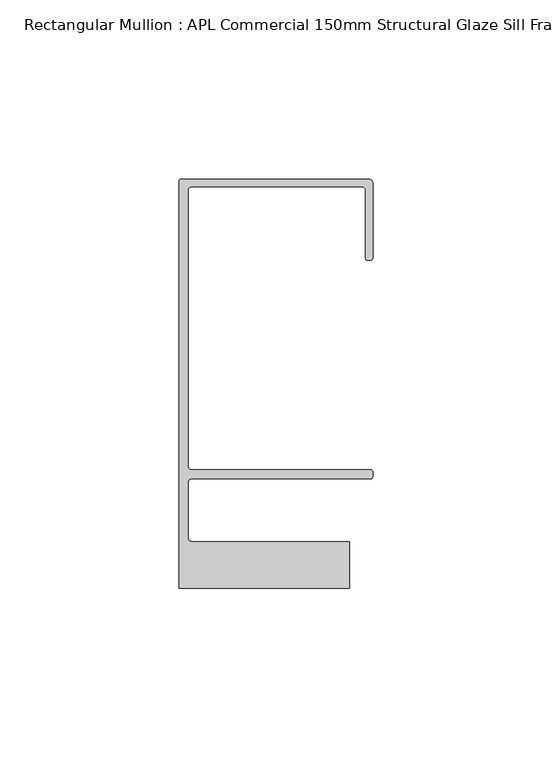
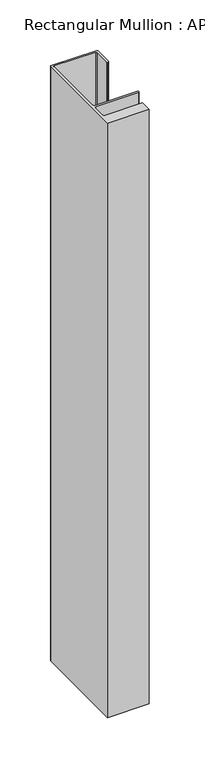
"""IFC4 building model written with IfcOpenShell, lengths in millimetres: member geometry, Rectangular Mullion : APL Commercial 150mm Structural Glaze Sill Frame (Back)."""

import ifcopenshell
import ifcopenshell.guid

model = None  # the IFC model being written
_history = None  # IfcOwnerHistory: only IFC2X3 demands one
_inside = {}  # id of a spatial element -> (the spatial element, [elements in it])
_under = {}  # id of a project, library or spatial element -> (it, [spatial elements below it])
_declared = {}  # id of a project -> (the project, [libraries it declares])
_typed = {}  # id of a type object -> (the type object, [elements of that type])
_made_of = {}  # id of a material, layer set ... -> (it, [elements and type objects made of it])


def new_model(schema):
    """Start an empty IFC model of exactly this schema.

    Asked for "IFC4X3", IfcOpenShell would pick the latest addendum, in which some entities
    have other attributes; the version numbers below select the first issue.
    IFC2X3 requires an IfcOwnerHistory on every rooted entity: one is made here for all.
    """
    global model, _history
    if schema == "IFC4X3":
        model = ifcopenshell.file(schema_version=(4, 3, 0, 0))
    else:
        model = ifcopenshell.file(schema=schema)
    _inside.clear()
    _under.clear()
    _declared.clear()
    _typed.clear()
    _made_of.clear()
    _history = None
    if model.schema == "IFC2X3":
        org = make("IfcOrganization", Name="unknown")
        user = make(
            "IfcPersonAndOrganization",
            ThePerson=make("IfcPerson", FamilyName="unknown"),
            TheOrganization=org,
        )
        app = make(
            "IfcApplication",
            ApplicationDeveloper=org,
            Version="unknown",
            ApplicationFullName="unknown",
            ApplicationIdentifier="unknown",
        )
        _history = make(
            "IfcOwnerHistory",
            OwningUser=user,
            OwningApplication=app,
            ChangeAction="ADDED",
            CreationDate=0,
        )
    return model


def make(cls, **values):
    """One entity of the class cls with the attributes given. An attribute that is None is left unset."""
    return model.create_entity(
        cls, **{name: value for name, value in values.items() if value is not None}
    )


def rooted(cls, **values):
    """An entity with a GlobalId (a new one), such as an element, a storey or a relation."""
    return make(cls, GlobalId=ifcopenshell.guid.new(), OwnerHistory=_history, **values)


def si_unit(unit_type, name, prefix=None):
    """IfcSIUnit, for example si_unit("LENGTHUNIT", "METRE", prefix="MILLI")."""
    return make("IfcSIUnit", UnitType=unit_type, Prefix=prefix, Name=name)


def assignment(units):
    """IfcUnitAssignment: the units of a project."""
    return None if units is None else make("IfcUnitAssignment", Units=units)


def point(xyz):
    """IfcCartesianPoint."""
    return None if xyz is None else make("IfcCartesianPoint", Coordinates=xyz)


def direction(xyz):
    """IfcDirection."""
    return None if xyz is None else make("IfcDirection", DirectionRatios=xyz)


def frame(location, z_axis=None, x_axis=None):
    """IfcAxis2Placement3D, a coordinate frame: its origin and axes. An axis left out is left unset."""
    return make(
        "IfcAxis2Placement3D",
        Location=point(location),
        Axis=direction(z_axis),
        RefDirection=direction(x_axis),
    )


def origin():
    """The frame at (0, 0, 0) with its axes left unset."""
    return frame((0.0, 0.0, 0.0))


def place(relative_to, where):
    """IfcLocalPlacement: puts the frame where relative to a parent placement (None: the world)."""
    return make(
        "IfcLocalPlacement", PlacementRelTo=relative_to, RelativePlacement=where
    )


def context(
    kind, dimensions, precision=None, world=None, true_north=None, identifier=None
):
    """IfcGeometricRepresentationContext, for example the 3D "Model" context."""
    return make(
        "IfcGeometricRepresentationContext",
        ContextIdentifier=identifier,
        ContextType=kind,
        CoordinateSpaceDimension=dimensions,
        Precision=precision,
        WorldCoordinateSystem=world,
        TrueNorth=true_north,
    )


def project(units=None, contexts=None):
    """IfcProject with its units and contexts."""
    return rooted(
        "IfcProject",
        Name="project",
        RepresentationContexts=contexts,
        UnitsInContext=assignment(units),
    )


def spatial(cls, under=None, at=None, **own):
    """A site, building, storey or space (cls), placed at a placement, below another one or the project."""
    s = rooted(cls, ObjectPlacement=at, **own)
    if under is not None:
        _under.setdefault(under.id(), (under, []))[1].append(s)
    return s


def polyline(points):
    """IfcPolyline through the points."""
    return make("IfcPolyline", Points=[point(p) for p in points])


def circle_curve(where, radius):
    """IfcCircle in the frame where."""
    return make("IfcCircle", Position=where, Radius=radius)


def shape(context_of_items, identifier, shape_type, items):
    """IfcShapeRepresentation: the items that make up one representation, for example the "Body"."""
    return make(
        "IfcShapeRepresentation",
        ContextOfItems=context_of_items,
        RepresentationIdentifier=identifier,
        RepresentationType=shape_type,
        Items=items,
    )


def source(mapping_origin, context_of_items, identifier, shape_type, items):
    """IfcRepresentationMap: a shape defined once, which mapped items show again and again."""
    return make(
        "IfcRepresentationMap",
        MappingOrigin=mapping_origin,
        MappedRepresentation=shape(context_of_items, identifier, shape_type, items),
    )


def transform(
    local_origin,
    x_axis=None,
    y_axis=None,
    z_axis=None,
    scale=None,
    scale2=None,
    scale3=None,
    uniform=True,
):
    """IfcCartesianTransformationOperator3D, or its non-uniform kind. x_axis, y_axis, z_axis: its Axis1, 2, 3."""
    if uniform:
        return make(
            "IfcCartesianTransformationOperator3D",
            Axis1=direction(x_axis),
            Axis2=direction(y_axis),
            LocalOrigin=point(local_origin),
            Scale=scale,
            Axis3=direction(z_axis),
        )
    return make(
        "IfcCartesianTransformationOperator3DnonUniform",
        Axis1=direction(x_axis),
        Axis2=direction(y_axis),
        LocalOrigin=point(local_origin),
        Scale=scale,
        Axis3=direction(z_axis),
        Scale2=scale2,
        Scale3=scale3,
    )


def mapped(mapping_source, mapping_target):
    """IfcMappedItem: shows the shape of a source again, moved by a transform."""
    return make(
        "IfcMappedItem", MappingSource=mapping_source, MappingTarget=mapping_target
    )


def made_of(thing, what):
    """Note that an element or type object is made of a material, layer set ...; save() writes the relation."""
    if what is not None:
        _made_of.setdefault(what.id(), (what, []))[1].append(thing)
    return thing


def element(
    cls,
    number,
    at=None,
    inside=None,
    cuts=None,
    type_object=None,
    material=None,
    context=None,
    identifier="Body",
    shape_type=None,
    held_by="IfcProductDefinitionShape",
    body=None,
    shapes=None,
    **own,
):
    """One element of the class cls, such as IfcWall. Its Tag is "e" and its number.

    at: its placement. inside: the storey or other place that contains it. cuts: it is an
    opening in that element (IfcRelVoidsElement). A single representation is given by context,
    identifier, shape_type and body (its items); several are given by shapes. held_by: the class
    of the entity that holds the representations. save() writes the other relations.
    """
    e = rooted(cls, Tag="e%d" % number, ObjectPlacement=at, **own)
    if body is not None:
        shapes = [shape(context, identifier, shape_type, body)]
    if shapes is not None:
        e.Representation = make(held_by, Representations=shapes)
    if inside is not None:
        _inside.setdefault(inside.id(), (inside, []))[1].append(e)
    if cuts is not None:
        rooted(
            "IfcRelVoidsElement", RelatingBuildingElement=cuts, RelatedOpeningElement=e
        )
    if type_object is not None:
        _typed.setdefault(type_object.id(), (type_object, []))[1].append(e)
    return made_of(e, material)


def aggregate(whole, parts):
    """IfcRelAggregates: a whole, such as a stair, and the parts it consists of."""
    return rooted("IfcRelAggregates", RelatingObject=whole, RelatedObjects=parts)


def save(model, path):
    """Write the relations noted so far, then the file.

    IfcRelAggregates (storeys below a building ...), IfcRelContainedInSpatialStructure (elements
    in a storey), IfcRelDefinesByType, IfcRelAssociatesMaterial and IfcRelDeclares: one each for
    every whole, place, type object, material and project.
    """
    for whole, parts in _under.values():
        aggregate(whole, parts)
    for where, things in _inside.values():
        rooted(
            "IfcRelContainedInSpatialStructure",
            RelatedElements=things,
            RelatingStructure=where,
        )
    for kind, things in _typed.values():
        rooted("IfcRelDefinesByType", RelatedObjects=things, RelatingType=kind)
    for what, things in _made_of.values():
        rooted("IfcRelAssociatesMaterial", RelatedObjects=things, RelatingMaterial=what)
    for by, libraries in _declared.values():
        rooted("IfcRelDeclares", RelatingContext=by, RelatedDefinitions=libraries)
    model.write(path)


def plane_surface(at):
    """IfcPlane: the flat surface through the origin of the frame at, square to its z axis."""
    return make("IfcPlane", Position=at)


def cylinder_surface(at, radius):
    """IfcCylindricalSurface: all points at the distance radius from the z axis of the frame at."""
    return make("IfcCylindricalSurface", Position=at, Radius=radius)


def revolved_surface(curve, axis_point, axis_direction):
    """IfcSurfaceOfRevolution: the curve turned about the line through axis_point along axis_direction."""
    return make(
        "IfcSurfaceOfRevolution",
        SweptCurve=make("IfcArbitraryOpenProfileDef", ProfileType="CURVE", Curve=curve),
        AxisPosition=make("IfcAxis1Placement", Location=point(axis_point), Axis=direction(axis_direction)),
    )


def advanced_brep(points, edges, surfaces, faces):
    """IfcAdvancedBrep: a solid bounded by faces that lie on surfaces and meet in shared edges.

    An edge is (start, end): straight between two places in points (the first is 0);
    or (start, end, curve); or (start, end, curve, False) where it runs against its curve.
    A face is (place in surfaces, loops), or (place, loops, False) where it looks against
    its surface's normal. A loop lists edges by number (the first is 1), with a minus sign
    where the edge is run from its end to its start. The first loop is the outer one.
    """
    corners = [point(p) for p in points]
    vertices = [make("IfcVertexPoint", VertexGeometry=c) for c in corners]
    made = []
    for start, end, *more in edges:
        made.append(
            make(
                "IfcEdgeCurve",
                EdgeStart=vertices[start],
                EdgeEnd=vertices[end],
                EdgeGeometry=more[0] if more else make("IfcPolyline", Points=[corners[start], corners[end]]),
                SameSense=more[1] if len(more) > 1 else True,
            )
        )
    hull = []
    for where, loops, *sense in faces:
        bounds = []
        for j, loop in enumerate(loops):
            ring = [make("IfcOrientedEdge", EdgeElement=made[abs(k) - 1], Orientation=k > 0) for k in loop]
            bounds.append(
                make(
                    "IfcFaceOuterBound" if j == 0 else "IfcFaceBound",
                    Bound=make("IfcEdgeLoop", EdgeList=ring),
                    Orientation=True,
                )
            )
        hull.append(make("IfcAdvancedFace", Bounds=bounds, FaceSurface=surfaces[where], SameSense=sense[0] if sense else True))
    return make("IfcAdvancedBrep", Outer=make("IfcClosedShell", CfsFaces=hull))


def rectangular_mullion_apl_commercial_150mm_structural_glaze_1bff94a1(model_context):
    return source(origin(), model_context, "Body", "AdvancedBrep", [
        advanced_brep(
        [(-53.5000083, 129.0001071, 0.0), (-54.0000083, 128.5001071, 0.0), (-54.0000083, 15.0004332, 0.0), (-6.5000083, 15.0004332, 0.0), (-6.5000083, 28.0004332, 0.0), (-50.500032, 28.0004332, 0.0), (-51.500032, 29.0004332, 0.0), (-51.500032, 44.4999541, 0.0), (-50.500032, 45.4999541, 0.0), (-0.521387, 45.4999541, 0.0), (-5.4e-06, 46.0213357, 0.0), (-5.4e-06, 47.5021598, 0.0), (-0.5000012, 48.000115, 0.0), (-50.482081, 48.000115, 0.0), (-51.5000225, 48.9999541, 0.0), (-51.5000225, 126.00011, 0.0), (-50.5000083, 127.00011, 0.0), (-2.9999982, 127.00011, 0.0), (-1.9999982, 126.0001071, 0.0), (-1.9999982, 107.0001071, 0.0), (-1.4999822, 106.5001071, 0.0), (-0.5, 106.5001071, 0.0), (0.0, 107.0001071, 0.0), (0.0, 128.0001071, 0.0), (-1.0000079, 129.0001071, 0.0), (-53.5000083, 129.0001071, -720.0500409), (-1.0000079, 129.0001071, -720.0500409), (-7.9e-06, 128.0001071, -720.0500409), (0.0, 107.0001071, -720.0500409), (-0.5, 106.5001071, -720.0500409), (-1.4999822, 106.5001071, -720.0500409), (-1.9999822, 107.0001071, -720.0500409), (-1.9999982, 126.0001071, -720.0500409), (-2.9999982, 127.0001071, -720.0500409), (-50.5000083, 127.00011, -720.0500409), (-51.5000083, 126.00011, -720.0500409), (-51.5000225, 48.9999541, -720.0500409), (-50.482081, 48.000115, -720.0500409), (-0.5000012, 48.000115, -720.0500409), (-5.4e-06, 47.5021598, -720.0500409), (-5.4e-06, 46.0213357, -720.0500409), (-0.521387, 45.4999541, -720.0500409), (-50.500032, 45.4999541, -720.0500409), (-51.500032, 44.4999541, -720.0500409), (-51.500032, 29.0004332, -720.0500409), (-50.500032, 28.0004332, -720.0500409), (-6.5000083, 28.0004332, -720.0500409), (-6.5000083, 15.0004332, -720.0500409), (-54.0000083, 15.0004332, -720.0500409), (-54.0000083, 128.5001071, -720.0500409)],
        [
            (0, 1, circle_curve(frame((-53.5000083, 128.5001071, 0.0), z_axis=(0.0, 0.0, 1.0), x_axis=(0.0, 1.0, 0.0)), 0.5)),
            (1, 2),
            (2, 3),
            (3, 4),
            (4, 5),
            (5, 6, circle_curve(frame((-50.500032, 29.0004332, 0.0), z_axis=(0.0, 0.0, -1.0), x_axis=(0.0, -1.0, 0.0)), 1.0)),
            (6, 7),
            (7, 8, circle_curve(frame((-50.500032, 44.4999541, 0.0), z_axis=(0.0, 0.0, -1.0), x_axis=(-0.9999999999998819, 4.863123717036027e-07, 0.0)), 1.0)),
            (8, 9),
            (9, 10, circle_curve(frame((-0.521387, 46.0213357, 0.0), z_axis=(0.0, 0.0, 1.0), x_axis=(-1.0, 0.0, 0.0)), 0.5213816)),
            (10, 11),
            (11, 12, circle_curve(frame((-0.5000012, 47.500115, 0.0), z_axis=(0.0, 0.0, 1.0), x_axis=(0.9999999999999991, -4.5120271963110614e-08, 0.0)), 0.5)),
            (12, 13),
            (13, 14, circle_curve(frame((-50.5000225, 48.9999541, 0.0), z_axis=(0.0, 0.0, -1.0), x_axis=(3.5344775231070867e-06, -0.9999999999937538, 0.0)), 1.0)),
            (14, 15),
            (15, 16, circle_curve(frame((-50.5000083, 126.00011, 0.0), z_axis=(0.0, 0.0, -1.0), x_axis=(-1.0, 3.636202450239078e-12, 0.0)), 1.0)),
            (16, 17),
            (17, 18, circle_curve(frame((-2.9999982, 126.0001071, 0.0), z_axis=(0.0, 0.0, -1.0), x_axis=(0.0, 1.0, 0.0)), 1.0)),
            (18, 19),
            (19, 20, circle_curve(frame((-1.4999822, 107.0001071, 0.0), z_axis=(0.0, 0.0, 1.0), x_axis=(-1.0, -1.039279773351609e-08, 0.0)), 0.5)),
            (20, 21),
            (21, 22, circle_curve(frame((-0.5, 107.0001071, 0.0), z_axis=(0.0, 0.0, 1.0), x_axis=(0.0, -1.0, 0.0)), 0.5)),
            (22, 23),
            (23, 24, circle_curve(frame((-1.0000079, 128.0001071, 0.0), z_axis=(0.0, 0.0, 1.0), x_axis=(0.9999999999996143, 8.78371761103865e-07, 0.0)), 1.0)),
            (24, 0),
            (25, 26),
            (26, 27, circle_curve(frame((-1.0000079, 128.0001071, -720.0500409), z_axis=(0.0, 0.0, -1.0), x_axis=(0.9999999999996143, 8.78371761103865e-07, 0.0)), 1.0)),
            (27, 28),
            (28, 29, circle_curve(frame((-0.5, 107.0001071, -720.0500409), z_axis=(0.0, 0.0, -1.0), x_axis=(0.0, -1.0, 0.0)), 0.5)),
            (29, 30),
            (30, 31, circle_curve(frame((-1.4999822, 107.0001071, -720.0500409), z_axis=(0.0, 0.0, -1.0), x_axis=(-1.0, -1.039279773351609e-08, 0.0)), 0.5)),
            (31, 32),
            (32, 33, circle_curve(frame((-2.9999982, 126.0001071, -720.0500409), z_axis=(0.0, 0.0, 1.0), x_axis=(0.0, 1.0, 0.0)), 1.0)),
            (33, 34),
            (34, 35, circle_curve(frame((-50.5000083, 126.00011, -720.0500409), z_axis=(0.0, 0.0, 1.0), x_axis=(-1.0, 3.636202450239078e-12, 0.0)), 1.0)),
            (35, 36),
            (36, 37, circle_curve(frame((-50.5000225, 48.9999541, -720.0500409), z_axis=(0.0, 0.0, 1.0), x_axis=(3.5344775231070867e-06, -0.9999999999937538, 0.0)), 1.0)),
            (37, 38),
            (38, 39, circle_curve(frame((-0.5000012, 47.500115, -720.0500409), z_axis=(0.0, 0.0, -1.0), x_axis=(0.9999999999999991, -4.5120271963110614e-08, 0.0)), 0.5)),
            (39, 40),
            (40, 41, circle_curve(frame((-0.521387, 46.0213357, -720.0500409), z_axis=(0.0, 0.0, -1.0), x_axis=(-1.0, 0.0, 0.0)), 0.5213816)),
            (41, 42),
            (42, 43, circle_curve(frame((-50.500032, 44.4999541, -720.0500409), z_axis=(0.0, 0.0, 1.0), x_axis=(-0.9999999999998819, 4.863123717036027e-07, 0.0)), 1.0)),
            (43, 44),
            (44, 45, circle_curve(frame((-50.500032, 29.0004332, -720.0500409), z_axis=(0.0, 0.0, 1.0), x_axis=(0.0, -1.0, 0.0)), 1.0)),
            (45, 46),
            (46, 47),
            (47, 48),
            (48, 49),
            (49, 25, circle_curve(frame((-53.5000083, 128.5001071, -720.0500409), z_axis=(0.0, 0.0, -1.0), x_axis=(0.0, 1.0, 0.0)), 0.5)),
            (0, 25),
            (49, 1),
            (48, 2),
            (47, 3),
            (46, 4),
            (45, 5),
            (44, 6),
            (43, 7),
            (42, 8),
            (41, 9),
            (40, 10),
            (39, 11),
            (38, 12),
            (37, 13),
            (36, 14),
            (35, 15),
            (34, 16),
            (33, 17),
            (32, 18),
            (31, 19),
            (30, 20),
            (29, 21),
            (28, 22),
            (27, 23),
            (26, 24),
        ],
        [
            plane_surface(frame((0.0, -139.6548314, 0.0), z_axis=(0.0, 0.0, 1.0), x_axis=(-1.0, 0.0, 0.0))),
            plane_surface(frame((0.0, -139.6548314, -720.0500409), z_axis=(0.0, 0.0, -1.0), x_axis=(-1.0, 0.0, 0.0))),
            cylinder_surface(frame((-53.5000083, 128.5001071, 0.0), z_axis=(0.0, 0.0, 1.0), x_axis=(0.0, 1.0, 0.0)), 0.5),
            plane_surface(frame((-54.0000083, 128.5001071, 0.0), z_axis=(-1.0, 0.0, 0.0), x_axis=(0.0, 0.0, -1.0))),
            plane_surface(frame((-54.0000083, 15.0004332, 0.0), z_axis=(0.0, -1.0, 0.0), x_axis=(0.0, 0.0, -1.0))),
            plane_surface(frame((-6.5000083, 15.0004332, 0.0), z_axis=(1.0, 0.0, 0.0), x_axis=(0.0, 0.0, -1.0))),
            plane_surface(frame((-6.5000083, 28.0004332, 0.0), z_axis=(0.0, 1.0, 0.0), x_axis=(0.0, 0.0, -1.0))),
            revolved_surface(polyline([(-50.500032, 28.0004332, -720.0500409), (-50.500032, 28.0004332, 0.0)]), (-50.500032, 29.0004332, 0.0), (0.0, 0.0, -1.0)),
            plane_surface(frame((-51.500032, 29.0004332, 0.0), z_axis=(1.0, 0.0, 0.0), x_axis=(0.0, 0.0, -1.0))),
            revolved_surface(polyline([(-51.50003199999988, 44.49995458631237, -720.0500409000002), (-51.50003199999988, 44.49995458631237, 0.0)]), (-50.500032, 44.4999541, 0.0), (0.0, 0.0, -1.0000000000000002)),
            plane_surface(frame((-50.500032, 45.4999541, 0.0), z_axis=(0.0, -1.0, 0.0), x_axis=(0.0, 0.0, -1.0))),
            cylinder_surface(frame((-0.521387, 46.0213357, 0.0), z_axis=(0.0, 0.0, 1.0), x_axis=(-1.0, 0.0, 0.0)), 0.5213816),
            plane_surface(frame((-5.4e-06, 46.0213357, 0.0), z_axis=(1.0, 0.0, 0.0), x_axis=(0.0, 0.0, -1.0))),
            cylinder_surface(frame((-0.5000012, 47.500115, 0.0), z_axis=(0.0, 0.0, 1.0000000000000002), x_axis=(0.9999999999999991, -4.5120271963110614e-08, 0.0)), 0.5),
            plane_surface(frame((-0.5000012, 48.000115, 0.0), z_axis=(0.0, 1.0, 0.0), x_axis=(0.0, 0.0, -1.0))),
            revolved_surface(polyline([(-50.50001896552248, 47.99995410000624, -720.0500409), (-50.50001896552248, 47.99995410000624, 0.0)]), (-50.5000225, 48.9999541, 0.0), (0.0, 0.0, -1.0)),
            plane_surface(frame((-51.5000225, 48.9999541, 0.0), z_axis=(1.0, 0.0, 0.0), x_axis=(0.0, 0.0, -1.0))),
            revolved_surface(polyline([(-51.5000083, 126.00011000000364, -720.0500409), (-51.5000083, 126.00011000000364, 0.0)]), (-50.5000083, 126.00011, 0.0), (0.0, 0.0, -1.0)),
            plane_surface(frame((-50.5000083, 127.00011, 0.0), z_axis=(0.0, -1.0, 0.0), x_axis=(0.0, 0.0, -1.0))),
            revolved_surface(polyline([(-2.9999982, 127.0001071, -720.0500409), (-2.9999982, 127.0001071, 0.0)]), (-2.9999982, 126.0001071, 0.0), (0.0, 0.0, -1.0)),
            plane_surface(frame((-1.9999982, 126.0001071, 0.0), z_axis=(-1.0, 0.0, 0.0), x_axis=(0.0, 0.0, -1.0))),
            cylinder_surface(frame((-1.4999822, 107.0001071, 0.0), z_axis=(0.0, 0.0, 1.0), x_axis=(-1.0, -1.039279773351609e-08, 0.0)), 0.5),
            plane_surface(frame((-1.4999822, 106.5001071, 0.0), z_axis=(0.0, -1.0, 0.0), x_axis=(0.0, 0.0, -1.0))),
            cylinder_surface(frame((-0.5, 107.0001071, 0.0), z_axis=(0.0, 0.0, 1.0), x_axis=(0.0, -1.0, 0.0)), 0.5),
            plane_surface(frame((0.0, 107.0001071, 0.0), z_axis=(1.0, 0.0, 0.0), x_axis=(0.0, 0.0, -1.0))),
            cylinder_surface(frame((-1.0000079, 128.0001071, 0.0), z_axis=(0.0, 0.0, 1.0000000000000002), x_axis=(0.9999999999996143, 8.78371761103865e-07, 0.0)), 1.0),
            plane_surface(frame((-1.0000079, 129.0001071, 0.0), z_axis=(0.0, 1.0, 0.0), x_axis=(0.0, 0.0, -1.0))),
        ],
        [
            (0, [[1, 2, 3, 4, 5, 6, 7, 8, 9, 10, 11, 12, 13, 14, 15, 16, 17, 18, 19, 20, 21, 22, 23, 24, 25]]),
            (1, [[26, 27, 28, 29, 30, 31, 32, 33, 34, 35, 36, 37, 38, 39, 40, 41, 42, 43, 44, 45, 46, 47, 48, 49, 50]]),
            (2, [[-1, 51, -50, 52]]),
            (3, [[-2, -52, -49, 53]]),
            (4, [[-3, -53, -48, 54]]),
            (5, [[-4, -54, -47, 55]]),
            (6, [[-5, -55, -46, 56]]),
            (7, [[-6, -56, -45, 57]]),
            (8, [[-7, -57, -44, 58]]),
            (9, [[-8, -58, -43, 59]]),
            (10, [[-9, -59, -42, 60]]),
            (11, [[-10, -60, -41, 61]]),
            (12, [[-11, -61, -40, 62]]),
            (13, [[-12, -62, -39, 63]]),
            (14, [[-13, -63, -38, 64]]),
            (15, [[-14, -64, -37, 65]]),
            (16, [[-15, -65, -36, 66]]),
            (17, [[-16, -66, -35, 67]]),
            (18, [[-17, -67, -34, 68]]),
            (19, [[-18, -68, -33, 69]]),
            (20, [[-19, -69, -32, 70]]),
            (21, [[-20, -70, -31, 71]]),
            (22, [[-21, -71, -30, 72]]),
            (23, [[-22, -72, -29, 73]]),
            (24, [[-23, -73, -28, 74]]),
            (25, [[-24, -74, -27, 75]]),
            (26, [[-25, -75, -26, -51]]),
        ],
    ),
    ])


if __name__ == "__main__":
    model = new_model("IFC4")
    model_context = context("Model", 3, world=origin())
    ifc_project = project(units=[si_unit("LENGTHUNIT", "METRE", prefix="MILLI")], contexts=[model_context])
    site = spatial("IfcSite", under=ifc_project)
    building = spatial("IfcBuilding", under=site)
    placement = place(None, origin())
    rectangular_mullion_apl_commercial_150mm_structural_glaze_shape = rectangular_mullion_apl_commercial_150mm_structural_glaze_1bff94a1(model_context)
    element("IfcMember", 1, ObjectType="Rectangular Mullion : APL Commercial 150mm Structural Glaze Sill Frame (Back)", at=placement, inside=building, context=model_context, shape_type="MappedRepresentation", body=[
        mapped(rectangular_mullion_apl_commercial_150mm_structural_glaze_shape, transform((0.0, 0.0, 0.0), x_axis=(1.0, 0.0, 0.0), y_axis=(0.0, 1.0, 0.0), z_axis=(0.0, 0.0, 1.0))),
    ])
    save(model, "model.ifc")
